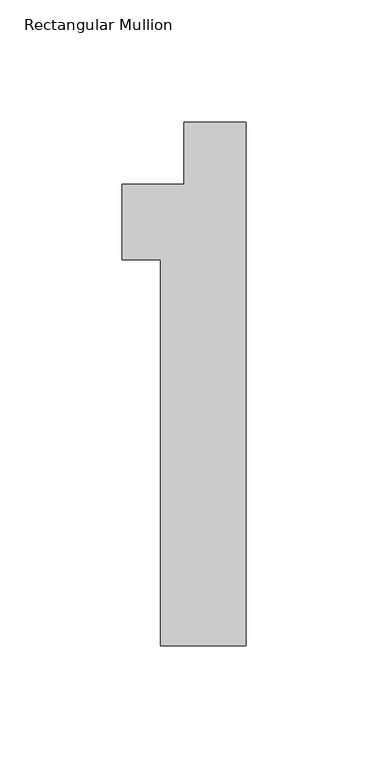
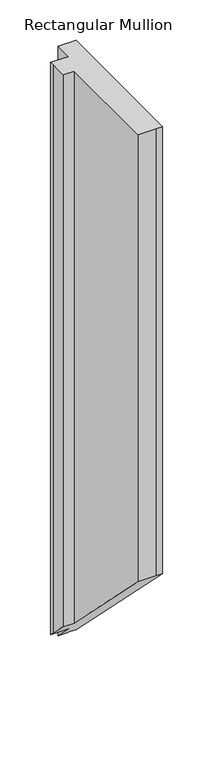
"""IFC4 building model written with IfcOpenShell, lengths in millimetres: member geometry, Rectangular Mullion."""

from ifc_helpers import new_model, si_unit, origin, place, context, project, spatial, faceted_brep, source, transform, mapped, element, save


def rectangular_mullion_4908a2cd(model_context):
    return source(origin(), model_context, "Body", "Brep", [
        faceted_brep([(-9.525, 0.0, 0.0), (-12.7, 0.0, 0.0), (-25.4000001, 0.0, 0.0), (-25.4000001, -25.4, 0.0), (-50.8, -25.4, 0.0), (-50.8, -31.75, 0.0), (-50.8, -56.388, 0.0), (-34.925, -56.388, 0.0), (-34.925, -214.3125, 0.0), (-9.525, -214.3125, 0.0), (0.0, -214.3125, 0.0), (0.0, 0.0, 0.0), (-9.525, 0.0, -889.0), (-12.7, 0.0, -889.0), (-25.4000001, 0.0, -889.0), (-25.4000001, -25.4, -863.6), (-50.8, -25.4, -863.6), (-50.8, -31.75, -857.25), (-50.8, -56.388, -832.612), (-34.925, -56.388, -832.612), (-34.925, -214.3125, -674.6875), (-9.525, -214.3125, -674.6875), (0.0, -214.3125, -674.6875), (0.0, 0.0, -889.0)], [[[0, 1, 2, 3, 4, 5, 6, 7, 8, 9, 10, 11]], [[1, 0, 12, 13]], [[2, 1, 13, 14]], [[3, 2, 14, 15]], [[4, 3, 15, 16]], [[5, 4, 16, 17]], [[6, 5, 17, 18]], [[7, 6, 18, 19]], [[8, 7, 19, 20]], [[9, 8, 20, 21]], [[10, 9, 21, 22]], [[11, 10, 22, 23]], [[0, 11, 23, 12]], [[12, 23, 22, 21, 20, 19, 18, 17, 16, 15, 14, 13]]]),
    ])


if __name__ == "__main__":
    model = new_model("IFC4")
    model_context = context("Model", 3, world=origin())
    ifc_project = project(units=[si_unit("LENGTHUNIT", "METRE", prefix="MILLI")], contexts=[model_context])
    site = spatial("IfcSite", under=ifc_project)
    building = spatial("IfcBuilding", under=site)
    placement = place(None, origin())
    rectangular_mullion_shape = rectangular_mullion_4908a2cd(model_context)
    element("IfcMember", 1, ObjectType="Rectangular Mullion", at=placement, inside=building, context=model_context, shape_type="MappedRepresentation", body=[
        mapped(rectangular_mullion_shape, transform((0.0, 0.0, 0.0), x_axis=(1.0, 0.0, 0.0), y_axis=(0.0, 1.0, 0.0), z_axis=(0.0, 0.0, 1.0))),
    ])
    save(model, "model.ifc")
